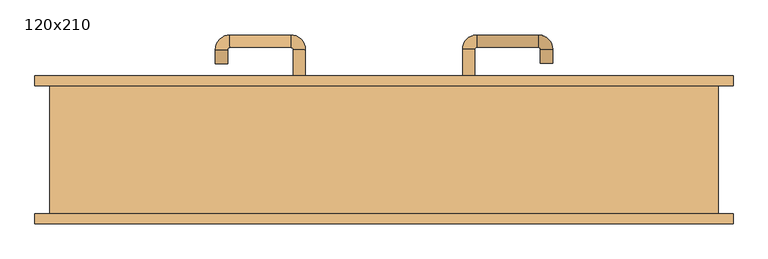
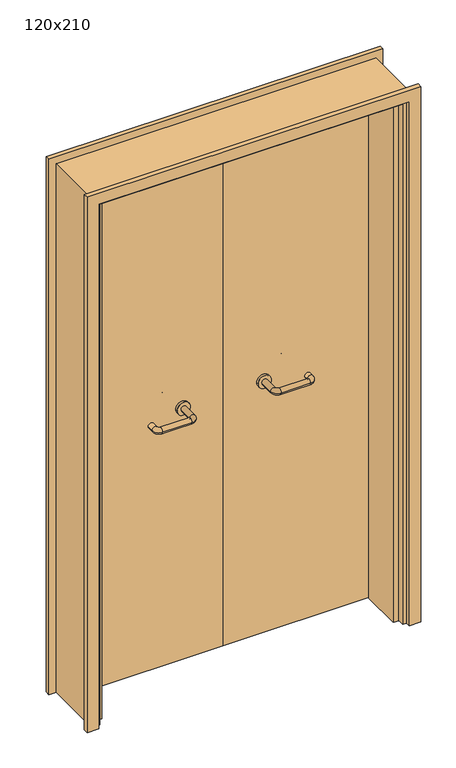
"""IFC4 building model written with IfcOpenShell, lengths in millimetres: door geometry, 120x210."""

from ifc_helpers import new_model, si_unit, point, frame, frame_2d, origin, place, context, project, spatial, polyline, circle_curve, ellipse_curve, trimmed, segment, composite_curve, outline, extrude, faceted_brep, source, transform, mapped, element, save
from ifc_brep_helpers import plane_surface, cylinder_surface, revolved_surface, advanced_brep


def door_120x210_6493188b(model_context):
    return source(origin(), model_context, "Body", "SolidModel", [
        faceted_brep([(-547.0, 68.0, 0.0), (-547.0, -90.0, 0.0), (-568.0, -90.0, 0.0), (-568.0, 68.0, 0.0), (-547.0, 68.0, 2047.0), (-547.0, -90.0, 2047.0), (-568.0, -90.0, 2068.0), (-568.0, 68.0, 2068.0), (547.0, 68.0, 0.0), (568.0, 68.0, 0.0), (568.0, -90.0, 0.0), (547.0, -90.0, 0.0), (547.0, 68.0, 2047.0), (568.0, 68.0, 2068.0), (568.0, -90.0, 2068.0), (547.0, -90.0, 2047.0)], [[[0, 1, 2, 3]], [[1, 0, 4, 5]], [[2, 1, 5, 6]], [[3, 2, 6, 7]], [[0, 3, 7, 4]], [[8, 9, 10, 11]], [[12, 13, 9, 8]], [[13, 14, 10, 9]], [[14, 15, 11, 10]], [[15, 12, 8, 11]], [[5, 4, 12, 15]], [[6, 5, 15, 14]], [[7, 6, 14, 13]], [[4, 7, 13, 12]]]),
        extrude(outline(polyline([(2127.0, 627.0), (2127.0, -627.0), (0.0, -627.0), (0.0, -583.0), (2083.0, -583.0), (2083.0, 583.0), (0.0, 583.0), (0.0, 627.0), (2127.0, 627.0)])), frame((0.0, 115.0, 0.0), z_axis=(0.0, 1.0, 0.0), x_axis=(0.0, 0.0, 1.0)), (0.0, 0.0, 1.0), 18.0),
        extrude(outline(polyline([(2127.0, -627.0), (0.0, -627.0), (0.0, -583.0), (2083.0, -583.0), (2083.0, 583.0), (0.0, 583.0), (0.0, 627.0), (2127.0, 627.0), (2127.0, -627.0)])), frame((0.0, -133.0, 0.0), z_axis=(0.0, 1.0, 0.0), x_axis=(0.0, 0.0, 1.0)), (0.0, 0.0, 1.0), 18.0),
        extrude(outline(polyline([(2100.0, -600.0), (0.0, -600.0), (0.0, -568.0), (2068.0, -568.0), (2068.0, 568.0), (0.0, 568.0), (0.0, 600.0), (2100.0, 600.0), (2100.0, -600.0)])), frame((0.0, -115.0, 0.0), z_axis=(0.0, 1.0, 0.0), x_axis=(0.0, 0.0, 1.0)), (0.0, 0.0, 1.0), 230.0),
        extrude(outline(polyline([(1.0739506, 71.0), (-565.0, 71.0), (-565.0, 115.0), (1.0739506, 115.0), (1.0739506, 71.0)])), frame((0.0, 0.0, 1.753223), z_axis=(0.0, 0.0, 1.0), x_axis=(1.0, 0.0, 0.0)), (0.0, 0.0, 1.0), 2057.246777),
        extrude(outline(polyline([(565.0, 71.0), (1.0739506, 71.0), (1.0739506, 115.0), (565.0, 115.0), (565.0, 71.0)])), frame((0.0, 0.0, 1.753223), z_axis=(0.0, 0.0, 1.0), x_axis=(1.0, 0.0, 0.0)), (0.0, 0.0, 1.0), 2066.246777),
        extrude(outline(polyline([(2100.0, -600.0), (0.0, -600.0), (0.0, -568.0), (2068.0, -568.0), (2068.0, 568.0), (0.0, 568.0), (0.0, 600.0), (2100.0, 600.0), (2100.0, -600.0)])), frame((0.0, -115.0, 0.0), z_axis=(0.0, 1.0, 0.0), x_axis=(0.0, 0.0, 1.0)), (0.0, 0.0, 1.0), 230.0),
        advanced_brep(
        [(140.99898, 61.0, 1003.0), (162.99898, 61.0, 1003.0), (140.99898, 5.6474631, 1003.0), (162.99898, 5.6474631, 1003.0), (166.99898, 1.6474631, 1003.0), (166.99898, -20.3525369, 1003.0), (276.99898, -20.3525369, 1003.0), (276.99898, 1.6474631, 1003.0), (280.99898, 5.6474631, 1003.0), (302.99898, 5.6474631, 1003.0), (302.99898, 23.0, 1003.0), (280.99898, 23.0, 1003.0)],
        [
            (0, 1, circle_curve(frame((151.99898, 61.0, 1003.0), z_axis=(0.0, 1.0, 0.0), x_axis=(1.0, 0.0, 0.0)), 11.0)),
            (1, 0, circle_curve(frame((151.99898, 61.0, 1003.0), z_axis=(0.0, 1.0, 0.0), x_axis=(1.0, 0.0, 0.0)), 11.0)),
            (0, 2),
            (2, 3, circle_curve(frame((151.99898, 5.6474631, 1003.0), z_axis=(0.0, 1.0, 0.0), x_axis=(1.0, 0.0, 0.0)), 11.0)),
            (3, 1),
            (3, 2, circle_curve(frame((151.99898, 5.6474631, 1003.0), z_axis=(0.0, 1.0, 0.0), x_axis=(1.0, 0.0, 0.0)), 11.0)),
            (4, 3, circle_curve(frame((166.99898, 5.6474631, 1003.0), z_axis=(0.0, 0.0, -1.0), x_axis=(-1.0, 0.0, 0.0)), 4.0)),
            (2, 5, circle_curve(frame((166.99898, 5.6474631, 1003.0), z_axis=(0.0, 0.0, 1.0), x_axis=(-1.0, 0.0, 0.0)), 26.0)),
            (5, 4, circle_curve(frame((166.99898, -9.3525369, 1003.0), z_axis=(-1.0, 0.0, 0.0), x_axis=(0.0, 1.0, 0.0)), 11.0)),
            (4, 5, circle_curve(frame((166.99898, -9.3525369, 1003.0), z_axis=(-1.0, 0.0, 0.0), x_axis=(0.0, 1.0, 0.0)), 11.0)),
            (5, 6),
            (6, 7, circle_curve(frame((276.99898, -9.3525369, 1003.0), z_axis=(-1.0, 0.0, 0.0), x_axis=(0.0, 1.0, 0.0)), 11.0)),
            (7, 4),
            (7, 6, circle_curve(frame((276.99898, -9.3525369, 1003.0), z_axis=(-1.0, 0.0, 0.0), x_axis=(0.0, 1.0, 0.0)), 11.0)),
            (8, 7, circle_curve(frame((276.99898, 5.6474631, 1003.0), z_axis=(0.0, 0.0, -1.0), x_axis=(0.0, -1.0, 0.0)), 4.0)),
            (6, 9, circle_curve(frame((276.99898, 5.6474631, 1003.0), z_axis=(0.0, 0.0, 1.0), x_axis=(0.0, -1.0, 0.0)), 26.0)),
            (9, 8, circle_curve(frame((291.99898, 5.6474631, 1003.0), z_axis=(0.0, -1.0, 0.0), x_axis=(-1.0, 0.0, 0.0)), 11.0)),
            (8, 9, circle_curve(frame((291.99898, 5.6474631, 1003.0), z_axis=(0.0, -1.0, 0.0), x_axis=(-1.0, 0.0, 0.0)), 11.0)),
            (10, 11, circle_curve(frame((291.99898, 23.0, 1003.0), z_axis=(0.0, 1.0, 0.0), x_axis=(-1.0, 0.0, 0.0)), 11.0)),
            (11, 10, circle_curve(frame((291.99898, 23.0, 1003.0), z_axis=(0.0, 1.0, 0.0), x_axis=(-1.0, 0.0, 0.0)), 11.0)),
            (9, 10),
            (11, 8),
        ],
        [
            plane_surface(frame((140.99898, 61.0, 1003.0), z_axis=(0.0, 1.0, 0.0), x_axis=(0.0, 0.0, -1.0))),
            cylinder_surface(frame((151.99898, 61.0, 1003.0), z_axis=(0.0, 1.0, 0.0), x_axis=(1.0, 0.0, 0.0)), 11.0),
            revolved_surface(trimmed(ellipse_curve(frame((151.99898, 5.6474631, 1003.0), z_axis=(0.0, 1.0, 0.0), x_axis=(1.0, 0.0, 0.0)), 11.0, 11.0), [point((140.99898, 5.6474631, 1003.0))], [point((162.99898, 5.6474631, 1003.0))], True, "CARTESIAN"), (166.99898, 5.6474631, 1003.0), (0.0, 0.0, 1.0)),
            revolved_surface(trimmed(ellipse_curve(frame((151.99898, 5.6474631, 1003.0), z_axis=(0.0, 1.0, 0.0), x_axis=(1.0, 0.0, 0.0)), 11.0, 11.0), [point((162.99898, 5.6474631, 1003.0))], [point((140.99898, 5.6474631, 1003.0))], True, "CARTESIAN"), (166.99898, 5.6474631, 1003.0), (0.0, 0.0, 1.0)),
            cylinder_surface(frame((166.99898, -9.3525369, 1003.0), z_axis=(-1.0, 0.0, 0.0), x_axis=(0.0, 1.0, 0.0)), 11.0),
            revolved_surface(trimmed(ellipse_curve(frame((276.99898, -9.3525369, 1003.0), z_axis=(-1.0, 0.0, 0.0), x_axis=(0.0, 1.0, 0.0)), 11.0, 11.0), [point((276.99898, -20.3525369, 1003.0))], [point((276.99898, 1.6474631, 1003.0))], True, "CARTESIAN"), (276.99898, 5.6474631, 1003.0), (0.0, 0.0, 1.0)),
            revolved_surface(trimmed(ellipse_curve(frame((276.99898, -9.3525369, 1003.0), z_axis=(-1.0, 0.0, 0.0), x_axis=(0.0, 1.0, 0.0)), 11.0, 11.0), [point((276.99898, 1.6474631, 1003.0))], [point((276.99898, -20.3525369, 1003.0))], True, "CARTESIAN"), (276.99898, 5.6474631, 1003.0), (0.0, 0.0, 1.0)),
            plane_surface(frame((280.99898, 23.0, 1003.0), z_axis=(0.0, 1.0, 0.0), x_axis=(0.0, 0.0, 1.0))),
            cylinder_surface(frame((291.99898, 5.6474631, 1003.0), z_axis=(0.0, -1.0, 0.0), x_axis=(-1.0, 0.0, 0.0)), 11.0),
        ],
        [
            (0, [[1, 2]]),
            (1, [[-1, 3, 4, 5]]),
            (1, [[-2, -5, 6, -3]]),
            (2, [[7, -4, 8, 9]]),
            (3, [[-8, -6, -7, 10]]),
            (4, [[-9, 11, 12, 13]]),
            (4, [[-10, -13, 14, -11]]),
            (5, [[15, -12, 16, 17]]),
            (6, [[-16, -14, -15, 18]]),
            (7, [[19, 20]]),
            (8, [[-17, 21, -20, 22]]),
            (8, [[-18, -22, -19, -21]]),
        ],
    ),
        extrude(outline(composite_curve([segment(trimmed(circle_curve(frame_2d((1003.0, 151.99898)), 25.0), [point((1003.0, 126.99898))], [point((1003.0, 176.99898))], False, "CARTESIAN"), True, "CONTINUOUS"), segment(trimmed(circle_curve(frame_2d((1003.0, 151.99898)), 25.0), [point((1003.0, 176.99898))], [point((1003.0, 126.99898))], False, "CARTESIAN"), True, "CONTINUOUS")], self_intersect=False)), frame((0.0, 61.0, 0.0), z_axis=(0.0, 1.0, 0.0), x_axis=(0.0, 0.0, 1.0)), (0.0, 0.0, 1.0), 10.0),
        advanced_brep(
        [(162.99898, 125.0, 1003.0), (140.99898, 125.0, 1003.0), (162.99898, 180.0, 1003.0), (140.99898, 180.0, 1003.0), (166.99898, 206.0, 1003.0), (166.99898, 184.0, 1003.0), (276.99898, 184.0, 1003.0), (276.99898, 206.0, 1003.0), (302.99898, 180.0, 1003.0), (280.99898, 180.0, 1003.0), (280.99898, 155.0, 1003.0), (302.99898, 155.0, 1003.0)],
        [
            (0, 1, circle_curve(frame((151.99898, 125.0, 1003.0), z_axis=(0.0, -1.0, 0.0), x_axis=(-1.0, 0.0, 0.0)), 11.0)),
            (1, 0, circle_curve(frame((151.99898, 125.0, 1003.0), z_axis=(0.0, -1.0, 0.0), x_axis=(-1.0, 0.0, 0.0)), 11.0)),
            (0, 2),
            (2, 3, circle_curve(frame((151.99898, 180.0, 1003.0), z_axis=(0.0, -1.0, 0.0), x_axis=(-1.0, 0.0, 0.0)), 11.0)),
            (3, 1),
            (3, 2, circle_curve(frame((151.99898, 180.0, 1003.0), z_axis=(0.0, -1.0, 0.0), x_axis=(-1.0, 0.0, 0.0)), 11.0)),
            (4, 3, circle_curve(frame((166.99898, 180.0, 1003.0), z_axis=(0.0, 0.0, 1.0), x_axis=(-1.0, 0.0, 0.0)), 26.0)),
            (2, 5, circle_curve(frame((166.99898, 180.0, 1003.0), z_axis=(0.0, 0.0, -1.0), x_axis=(-1.0, 0.0, 0.0)), 4.0)),
            (5, 4, circle_curve(frame((166.99898, 195.0, 1003.0), z_axis=(-1.0, 0.0, 0.0), x_axis=(0.0, 1.0, 0.0)), 11.0)),
            (4, 5, circle_curve(frame((166.99898, 195.0, 1003.0), z_axis=(-1.0, 0.0, 0.0), x_axis=(0.0, 1.0, 0.0)), 11.0)),
            (5, 6),
            (6, 7, circle_curve(frame((276.99898, 195.0, 1003.0), z_axis=(-1.0, 0.0, 0.0), x_axis=(0.0, 1.0, 0.0)), 11.0)),
            (7, 4),
            (7, 6, circle_curve(frame((276.99898, 195.0, 1003.0), z_axis=(-1.0, 0.0, 0.0), x_axis=(0.0, 1.0, 0.0)), 11.0)),
            (8, 7, circle_curve(frame((276.99898, 180.0, 1003.0), z_axis=(0.0, 0.0, 1.0), x_axis=(0.0, 1.0, 0.0)), 26.0)),
            (6, 9, circle_curve(frame((276.99898, 180.0, 1003.0), z_axis=(0.0, 0.0, -1.0), x_axis=(0.0, 1.0, 0.0)), 4.0)),
            (9, 8, circle_curve(frame((291.99898, 180.0, 1003.0), z_axis=(0.0, 1.0, 0.0), x_axis=(1.0, 0.0, 0.0)), 11.0)),
            (8, 9, circle_curve(frame((291.99898, 180.0, 1003.0), z_axis=(0.0, 1.0, 0.0), x_axis=(1.0, 0.0, 0.0)), 11.0)),
            (10, 11, circle_curve(frame((291.99898, 155.0, 1003.0), z_axis=(0.0, -1.0, 0.0), x_axis=(1.0, 0.0, 0.0)), 11.0)),
            (11, 10, circle_curve(frame((291.99898, 155.0, 1003.0), z_axis=(0.0, -1.0, 0.0), x_axis=(1.0, 0.0, 0.0)), 11.0)),
            (9, 10),
            (11, 8),
        ],
        [
            plane_surface(frame((140.99898, 125.0, 1003.0), z_axis=(0.0, -1.0, 0.0), x_axis=(0.0, 0.0, 1.0))),
            cylinder_surface(frame((151.99898, 125.0, 1003.0), z_axis=(0.0, -1.0, 0.0), x_axis=(-1.0, 0.0, 0.0)), 11.0),
            revolved_surface(trimmed(ellipse_curve(frame((151.99898, 180.0, 1003.0), z_axis=(0.0, -1.0, 0.0), x_axis=(-1.0, 0.0, 0.0)), 11.0, 11.0), [point((162.99898, 180.0, 1003.0))], [point((140.99898, 180.0, 1003.0))], True, "CARTESIAN"), (166.99898, 180.0, 1003.0), (0.0, 0.0, -1.0)),
            revolved_surface(trimmed(ellipse_curve(frame((151.99898, 180.0, 1003.0), z_axis=(0.0, -1.0, 0.0), x_axis=(-1.0, 0.0, 0.0)), 11.0, 11.0), [point((140.99898, 180.0, 1003.0))], [point((162.99898, 180.0, 1003.0))], True, "CARTESIAN"), (166.99898, 180.0, 1003.0), (0.0, 0.0, -1.0)),
            cylinder_surface(frame((166.99898, 195.0, 1003.0), z_axis=(-1.0, 0.0, 0.0), x_axis=(0.0, 1.0, 0.0)), 11.0),
            revolved_surface(trimmed(ellipse_curve(frame((276.99898, 195.0, 1003.0), z_axis=(-1.0, 0.0, 0.0), x_axis=(0.0, 1.0, 0.0)), 11.0, 11.0), [point((276.99898, 184.0, 1003.0))], [point((276.99898, 206.0, 1003.0))], True, "CARTESIAN"), (276.99898, 180.0, 1003.0), (0.0, 0.0, -1.0)),
            revolved_surface(trimmed(ellipse_curve(frame((276.99898, 195.0, 1003.0), z_axis=(-1.0, 0.0, 0.0), x_axis=(0.0, 1.0, 0.0)), 11.0, 11.0), [point((276.99898, 206.0, 1003.0))], [point((276.99898, 184.0, 1003.0))], True, "CARTESIAN"), (276.99898, 180.0, 1003.0), (0.0, 0.0, -1.0)),
            plane_surface(frame((280.99898, 155.0, 1003.0), z_axis=(0.0, -1.0, 0.0), x_axis=(0.0, 0.0, -1.0))),
            cylinder_surface(frame((291.99898, 180.0, 1003.0), z_axis=(0.0, 1.0, 0.0), x_axis=(1.0, 0.0, 0.0)), 11.0),
        ],
        [
            (0, [[1, 2]]),
            (1, [[-1, 3, 4, 5]]),
            (1, [[-2, -5, 6, -3]]),
            (2, [[7, -4, 8, 9]]),
            (3, [[-8, -6, -7, 10]]),
            (4, [[-9, 11, 12, 13]]),
            (4, [[-10, -13, 14, -11]]),
            (5, [[15, -12, 16, 17]]),
            (6, [[-16, -14, -15, 18]]),
            (7, [[19, 20]]),
            (8, [[-17, 21, -20, 22]]),
            (8, [[-18, -22, -19, -21]]),
        ],
    ),
        extrude(outline(composite_curve([segment(trimmed(circle_curve(frame_2d((1003.0, 151.99898)), 25.0), [point((1003.0, 176.99898))], [point((1003.0, 126.99898))], False, "CARTESIAN"), True, "CONTINUOUS"), segment(trimmed(circle_curve(frame_2d((1003.0, 151.99898)), 25.0), [point((1003.0, 126.99898))], [point((1003.0, 176.99898))], False, "CARTESIAN"), True, "CONTINUOUS")], self_intersect=False)), frame((0.0, 115.0, 0.0), z_axis=(0.0, 1.0, 0.0), x_axis=(0.0, 0.0, 1.0)), (0.0, 0.0, 1.0), 10.0),
        advanced_brep(
        [(-162.99898, 60.6886121, 1003.0), (-140.99898, 60.6886121, 1003.0), (-162.99898, 5.2779553, 1003.0), (-140.99898, 5.2779553, 1003.0), (-166.99898, -20.7220447, 1003.0), (-166.99898, 1.2779553, 1003.0), (-276.99898, 1.2779553, 1003.0), (-276.99898, -20.7220447, 1003.0), (-302.99898, 5.2779553, 1003.0), (-280.99898, 5.2779553, 1003.0), (-280.99898, 30.2779553, 1003.0), (-302.99898, 30.2779553, 1003.0)],
        [
            (0, 1, circle_curve(frame((-151.99898, 60.6886121, 1003.0), z_axis=(0.0, 1.0, 0.0), x_axis=(1.0, 0.0, 0.0)), 11.0)),
            (1, 0, circle_curve(frame((-151.99898, 60.6886121, 1003.0), z_axis=(0.0, 1.0, 0.0), x_axis=(1.0, 0.0, 0.0)), 11.0)),
            (0, 2),
            (2, 3, circle_curve(frame((-151.99898, 5.2779553, 1003.0), z_axis=(0.0, 1.0, 0.0), x_axis=(1.0, 0.0, 0.0)), 11.0)),
            (3, 1),
            (3, 2, circle_curve(frame((-151.99898, 5.2779553, 1003.0), z_axis=(0.0, 1.0, 0.0), x_axis=(1.0, 0.0, 0.0)), 11.0)),
            (4, 3, circle_curve(frame((-166.99898, 5.2779553, 1003.0), z_axis=(0.0, 0.0, 1.0), x_axis=(1.0, 0.0, 0.0)), 26.0)),
            (2, 5, circle_curve(frame((-166.99898, 5.2779553, 1003.0), z_axis=(0.0, 0.0, -1.0), x_axis=(1.0, 0.0, 0.0)), 4.0)),
            (5, 4, circle_curve(frame((-166.99898, -9.7220447, 1003.0), z_axis=(1.0, 0.0, 0.0), x_axis=(0.0, -1.0, 0.0)), 11.0)),
            (4, 5, circle_curve(frame((-166.99898, -9.7220447, 1003.0), z_axis=(1.0, 0.0, 0.0), x_axis=(0.0, -1.0, 0.0)), 11.0)),
            (5, 6),
            (6, 7, circle_curve(frame((-276.99898, -9.7220447, 1003.0), z_axis=(1.0, 0.0, 0.0), x_axis=(0.0, -1.0, 0.0)), 11.0)),
            (7, 4),
            (7, 6, circle_curve(frame((-276.99898, -9.7220447, 1003.0), z_axis=(1.0, 0.0, 0.0), x_axis=(0.0, -1.0, 0.0)), 11.0)),
            (8, 7, circle_curve(frame((-276.99898, 5.2779553, 1003.0), z_axis=(0.0, 0.0, 1.0), x_axis=(0.0, -1.0, 0.0)), 26.0)),
            (6, 9, circle_curve(frame((-276.99898, 5.2779553, 1003.0), z_axis=(0.0, 0.0, -1.0), x_axis=(0.0, -1.0, 0.0)), 4.0)),
            (9, 8, circle_curve(frame((-291.99898, 5.2779553, 1003.0), z_axis=(0.0, -1.0, 0.0), x_axis=(-1.0, 0.0, 0.0)), 11.0)),
            (8, 9, circle_curve(frame((-291.99898, 5.2779553, 1003.0), z_axis=(0.0, -1.0, 0.0), x_axis=(-1.0, 0.0, 0.0)), 11.0)),
            (10, 11, circle_curve(frame((-291.99898, 30.2779553, 1003.0), z_axis=(0.0, 1.0, 0.0), x_axis=(-1.0, 0.0, 0.0)), 11.0)),
            (11, 10, circle_curve(frame((-291.99898, 30.2779553, 1003.0), z_axis=(0.0, 1.0, 0.0), x_axis=(-1.0, 0.0, 0.0)), 11.0)),
            (9, 10),
            (11, 8),
        ],
        [
            plane_surface(frame((-162.99898, 60.6886121, 1003.0), z_axis=(0.0, 1.0, 0.0), x_axis=(0.0, 0.0, -1.0))),
            cylinder_surface(frame((-151.99898, 60.6886121, 1003.0), z_axis=(0.0, 1.0, 0.0), x_axis=(1.0, 0.0, 0.0)), 11.0),
            revolved_surface(trimmed(ellipse_curve(frame((-151.99898, 5.2779553, 1003.0), z_axis=(0.0, 1.0, 0.0), x_axis=(1.0, 0.0, 0.0)), 11.0, 11.0), [point((-162.99898, 5.2779553, 1003.0))], [point((-140.99898, 5.2779553, 1003.0))], True, "CARTESIAN"), (-166.99898, 5.2779553, 1003.0), (0.0, 0.0, -1.0)),
            revolved_surface(trimmed(ellipse_curve(frame((-151.99898, 5.2779553, 1003.0), z_axis=(0.0, 1.0, 0.0), x_axis=(1.0, 0.0, 0.0)), 11.0, 11.0), [point((-140.99898, 5.2779553, 1003.0))], [point((-162.99898, 5.2779553, 1003.0))], True, "CARTESIAN"), (-166.99898, 5.2779553, 1003.0), (0.0, 0.0, -1.0)),
            cylinder_surface(frame((-166.99898, -9.7220447, 1003.0), z_axis=(1.0, 0.0, 0.0), x_axis=(0.0, -1.0, 0.0)), 11.0),
            revolved_surface(trimmed(ellipse_curve(frame((-276.99898, -9.7220447, 1003.0), z_axis=(1.0, 0.0, 0.0), x_axis=(0.0, -1.0, 0.0)), 11.0, 11.0), [point((-276.99898, 1.2779553, 1003.0))], [point((-276.99898, -20.7220447, 1003.0))], True, "CARTESIAN"), (-276.99898, 5.2779553, 1003.0), (0.0, 0.0, -1.0)),
            revolved_surface(trimmed(ellipse_curve(frame((-276.99898, -9.7220447, 1003.0), z_axis=(1.0, 0.0, 0.0), x_axis=(0.0, -1.0, 0.0)), 11.0, 11.0), [point((-276.99898, -20.7220447, 1003.0))], [point((-276.99898, 1.2779553, 1003.0))], True, "CARTESIAN"), (-276.99898, 5.2779553, 1003.0), (0.0, 0.0, -1.0)),
            plane_surface(frame((-302.99898, 30.2779553, 1003.0), z_axis=(0.0, 1.0, 0.0), x_axis=(0.0, 0.0, 1.0))),
            cylinder_surface(frame((-291.99898, 5.2779553, 1003.0), z_axis=(0.0, -1.0, 0.0), x_axis=(-1.0, 0.0, 0.0)), 11.0),
        ],
        [
            (0, [[1, 2]]),
            (1, [[-1, 3, 4, 5]]),
            (1, [[-2, -5, 6, -3]]),
            (2, [[7, -4, 8, 9]]),
            (3, [[-8, -6, -7, 10]]),
            (4, [[-9, 11, 12, 13]]),
            (4, [[-10, -13, 14, -11]]),
            (5, [[15, -12, 16, 17]]),
            (6, [[-16, -14, -15, 18]]),
            (7, [[19, 20]]),
            (8, [[-17, 21, -20, 22]]),
            (8, [[-18, -22, -19, -21]]),
        ],
    ),
        extrude(outline(composite_curve([segment(trimmed(circle_curve(frame_2d((1003.0, -151.99898)), 25.0), [point((1003.0, -176.99898))], [point((1003.0, -126.99898))], False, "CARTESIAN"), True, "CONTINUOUS"), segment(trimmed(circle_curve(frame_2d((1003.0, -151.99898)), 25.0), [point((1003.0, -126.99898))], [point((1003.0, -176.99898))], False, "CARTESIAN"), True, "CONTINUOUS")], self_intersect=False)), frame((0.0, 60.6886121, 0.0), z_axis=(0.0, 1.0, 0.0), x_axis=(0.0, 0.0, 1.0)), (0.0, 0.0, 1.0), 10.3113879),
        advanced_brep(
        [(-140.99898, 124.5143417, 1003.0), (-162.99898, 124.5143417, 1003.0), (-140.99898, 179.6104656, 1003.0), (-162.99898, 179.6104656, 1003.0), (-166.99898, 183.6104656, 1003.0), (-166.99898, 205.6104656, 1003.0), (-276.99898, 205.6104656, 1003.0), (-276.99898, 183.6104656, 1003.0), (-280.99898, 179.6104656, 1003.0), (-302.99898, 179.6104656, 1003.0), (-302.99898, 154.6104656, 1003.0), (-280.99898, 154.6104656, 1003.0)],
        [
            (0, 1, circle_curve(frame((-151.99898, 124.5143417, 1003.0), z_axis=(0.0, -1.0, 0.0), x_axis=(-1.0, 0.0, 0.0)), 11.0)),
            (1, 0, circle_curve(frame((-151.99898, 124.5143417, 1003.0), z_axis=(0.0, -1.0, 0.0), x_axis=(-1.0, 0.0, 0.0)), 11.0)),
            (0, 2),
            (2, 3, circle_curve(frame((-151.99898, 179.6104656, 1003.0), z_axis=(0.0, -1.0, 0.0), x_axis=(-1.0, 0.0, 0.0)), 11.0)),
            (3, 1),
            (3, 2, circle_curve(frame((-151.99898, 179.6104656, 1003.0), z_axis=(0.0, -1.0, 0.0), x_axis=(-1.0, 0.0, 0.0)), 11.0)),
            (4, 3, circle_curve(frame((-166.99898, 179.6104656, 1003.0), z_axis=(0.0, 0.0, -1.0), x_axis=(1.0, 0.0, 0.0)), 4.0)),
            (2, 5, circle_curve(frame((-166.99898, 179.6104656, 1003.0), z_axis=(0.0, 0.0, 1.0), x_axis=(1.0, 0.0, 0.0)), 26.0)),
            (5, 4, circle_curve(frame((-166.99898, 194.6104656, 1003.0), z_axis=(1.0, 0.0, 0.0), x_axis=(0.0, -1.0, 0.0)), 11.0)),
            (4, 5, circle_curve(frame((-166.99898, 194.6104656, 1003.0), z_axis=(1.0, 0.0, 0.0), x_axis=(0.0, -1.0, 0.0)), 11.0)),
            (5, 6),
            (6, 7, circle_curve(frame((-276.99898, 194.6104656, 1003.0), z_axis=(1.0, 0.0, 0.0), x_axis=(0.0, -1.0, 0.0)), 11.0)),
            (7, 4),
            (7, 6, circle_curve(frame((-276.99898, 194.6104656, 1003.0), z_axis=(1.0, 0.0, 0.0), x_axis=(0.0, -1.0, 0.0)), 11.0)),
            (8, 7, circle_curve(frame((-276.99898, 179.6104656, 1003.0), z_axis=(0.0, 0.0, -1.0), x_axis=(0.0, 1.0, 0.0)), 4.0)),
            (6, 9, circle_curve(frame((-276.99898, 179.6104656, 1003.0), z_axis=(0.0, 0.0, 1.0), x_axis=(0.0, 1.0, 0.0)), 26.0)),
            (9, 8, circle_curve(frame((-291.99898, 179.6104656, 1003.0), z_axis=(0.0, 1.0, 0.0), x_axis=(1.0, 0.0, 0.0)), 11.0)),
            (8, 9, circle_curve(frame((-291.99898, 179.6104656, 1003.0), z_axis=(0.0, 1.0, 0.0), x_axis=(1.0, 0.0, 0.0)), 11.0)),
            (10, 11, circle_curve(frame((-291.99898, 154.6104656, 1003.0), z_axis=(0.0, -1.0, 0.0), x_axis=(1.0, 0.0, 0.0)), 11.0)),
            (11, 10, circle_curve(frame((-291.99898, 154.6104656, 1003.0), z_axis=(0.0, -1.0, 0.0), x_axis=(1.0, 0.0, 0.0)), 11.0)),
            (9, 10),
            (11, 8),
        ],
        [
            plane_surface(frame((-162.99898, 124.5143417, 1003.0), z_axis=(0.0, -1.0, 0.0), x_axis=(0.0, 0.0, 1.0))),
            cylinder_surface(frame((-151.99898, 124.5143417, 1003.0), z_axis=(0.0, -1.0, 0.0), x_axis=(-1.0, 0.0, 0.0)), 11.0),
            revolved_surface(trimmed(ellipse_curve(frame((-151.99898, 179.6104656, 1003.0), z_axis=(0.0, -1.0, 0.0), x_axis=(-1.0, 0.0, 0.0)), 11.0, 11.0), [point((-140.99898, 179.6104656, 1003.0))], [point((-162.99898, 179.6104656, 1003.0))], True, "CARTESIAN"), (-166.99898, 179.6104656, 1003.0), (0.0, 0.0, 1.0)),
            revolved_surface(trimmed(ellipse_curve(frame((-151.99898, 179.6104656, 1003.0), z_axis=(0.0, -1.0, 0.0), x_axis=(-1.0, 0.0, 0.0)), 11.0, 11.0), [point((-162.99898, 179.6104656, 1003.0))], [point((-140.99898, 179.6104656, 1003.0))], True, "CARTESIAN"), (-166.99898, 179.6104656, 1003.0), (0.0, 0.0, 1.0)),
            cylinder_surface(frame((-166.99898, 194.6104656, 1003.0), z_axis=(1.0, 0.0, 0.0), x_axis=(0.0, -1.0, 0.0)), 11.0),
            revolved_surface(trimmed(ellipse_curve(frame((-276.99898, 194.6104656, 1003.0), z_axis=(1.0, 0.0, 0.0), x_axis=(0.0, -1.0, 0.0)), 11.0, 11.0), [point((-276.99898, 205.6104656, 1003.0))], [point((-276.99898, 183.6104656, 1003.0))], True, "CARTESIAN"), (-276.99898, 179.6104656, 1003.0), (0.0, 0.0, 1.0)),
            revolved_surface(trimmed(ellipse_curve(frame((-276.99898, 194.6104656, 1003.0), z_axis=(1.0, 0.0, 0.0), x_axis=(0.0, -1.0, 0.0)), 11.0, 11.0), [point((-276.99898, 183.6104656, 1003.0))], [point((-276.99898, 205.6104656, 1003.0))], True, "CARTESIAN"), (-276.99898, 179.6104656, 1003.0), (0.0, 0.0, 1.0)),
            plane_surface(frame((-302.99898, 154.6104656, 1003.0), z_axis=(0.0, -1.0, 0.0), x_axis=(0.0, 0.0, -1.0))),
            cylinder_surface(frame((-291.99898, 179.6104656, 1003.0), z_axis=(0.0, 1.0, 0.0), x_axis=(1.0, 0.0, 0.0)), 11.0),
        ],
        [
            (0, [[1, 2]]),
            (1, [[-1, 3, 4, 5]]),
            (1, [[-2, -5, 6, -3]]),
            (2, [[7, -4, 8, 9]]),
            (3, [[-8, -6, -7, 10]]),
            (4, [[-9, 11, 12, 13]]),
            (4, [[-10, -13, 14, -11]]),
            (5, [[15, -12, 16, 17]]),
            (6, [[-16, -14, -15, 18]]),
            (7, [[19, 20]]),
            (8, [[-17, 21, -20, 22]]),
            (8, [[-18, -22, -19, -21]]),
        ],
    ),
        extrude(outline(composite_curve([segment(trimmed(circle_curve(frame_2d((1003.0, -151.99898)), 25.0), [point((1003.0, -126.99898))], [point((1003.0, -176.99898))], False, "CARTESIAN"), True, "CONTINUOUS"), segment(trimmed(circle_curve(frame_2d((1003.0, -151.99898)), 25.0), [point((1003.0, -176.99898))], [point((1003.0, -126.99898))], False, "CARTESIAN"), True, "CONTINUOUS")], self_intersect=False)), frame((0.0, 115.0, 0.0), z_axis=(0.0, 1.0, 0.0), x_axis=(0.0, 0.0, 1.0)), (0.0, 0.0, 1.0), 9.5143417),
    ])


if __name__ == "__main__":
    model = new_model("IFC4")
    model_context = context("Model", 3, world=origin())
    ifc_project = project(units=[si_unit("LENGTHUNIT", "METRE", prefix="MILLI")], contexts=[model_context])
    site = spatial("IfcSite", under=ifc_project)
    building = spatial("IfcBuilding", under=site)
    placement = place(None, origin())
    door_120x210_shape = door_120x210_6493188b(model_context)
    element("IfcDoor", 1, ObjectType="120x210", at=placement, inside=building, context=model_context, shape_type="MappedRepresentation", body=[
        mapped(door_120x210_shape, transform((0.0, 0.0, 0.0), x_axis=(1.0, 0.0, 0.0), y_axis=(0.0, 1.0, 0.0), z_axis=(0.0, 0.0, 1.0))),
    ])
    save(model, "model.ifc")
